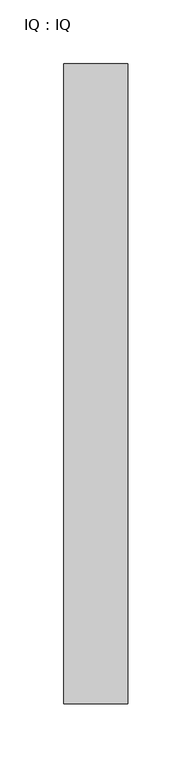
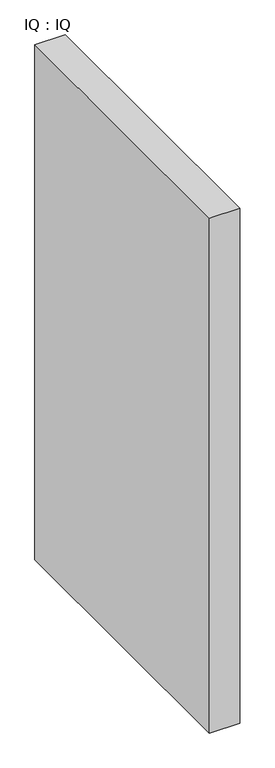
"""IFC4 building model written with IfcOpenShell, lengths in millimetres: proxy geometry, IQ : IQ."""

from ifc_helpers import new_model, si_unit, origin, origin_with_axes, place, context, project, spatial, polyline, outline, extrude, source, transform, mapped, element, save


def iq_iq_8a5c8085(model_context):
    return source(origin(), model_context, "Body", "SweptSolid", [
        extrude(outline(polyline([(50.0, 500.0), (50.0, 0.0), (0.0, 0.0), (0.0, 500.0), (50.0, 500.0)])), origin_with_axes(), (0.0, 0.0, 1.0), 900.0),
    ])


if __name__ == "__main__":
    model = new_model("IFC4")
    model_context = context("Model", 3, world=origin())
    ifc_project = project(units=[si_unit("LENGTHUNIT", "METRE", prefix="MILLI")], contexts=[model_context])
    site = spatial("IfcSite", under=ifc_project)
    building = spatial("IfcBuilding", under=site)
    placement = place(None, origin())
    iq_iq_shape = iq_iq_8a5c8085(model_context)
    element("IfcBuildingElementProxy", 1, Name="IQ : IQ", ObjectType="IQ : IQ", at=placement, inside=building, context=model_context, shape_type="MappedRepresentation", body=[
        mapped(iq_iq_shape, transform((0.0, 0.0, 0.0), x_axis=(1.0, 0.0, 0.0), y_axis=(0.0, 1.0, 0.0), z_axis=(0.0, 0.0, 1.0))),
    ])
    save(model, "model.ifc")
